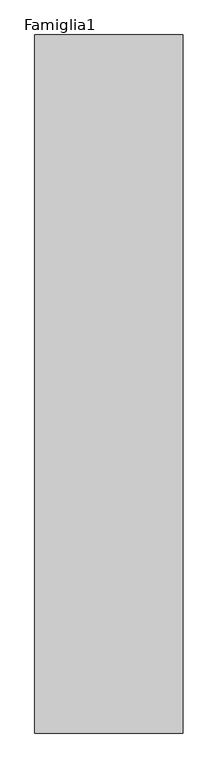
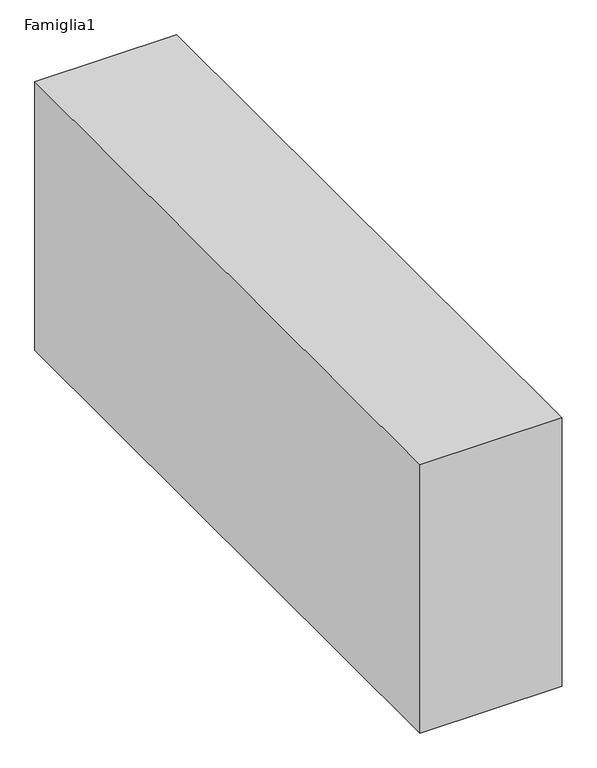
"""IFC4 building model written with IfcOpenShell, lengths in millimetres: proxy geometry, Famiglia1."""

from ifc_helpers import new_model, si_unit, origin, origin_with_axes, place, context, project, spatial, polyline, outline, extrude, source, transform, mapped, element, save


def famiglia1_5ea5ec3c(model_context):
    return source(origin(), model_context, "Body", "SweptSolid", [
        extrude(outline(polyline([(6000.0, 28266.6277386), (6000.0, 0.0), (0.0, 0.0), (0.0, 28266.6277386), (6000.0, 28266.6277386)])), origin_with_axes(), (0.0, 0.0, 1.0), 12000.0),
    ])


if __name__ == "__main__":
    model = new_model("IFC4")
    model_context = context("Model", 3, world=origin())
    ifc_project = project(units=[si_unit("LENGTHUNIT", "METRE", prefix="MILLI")], contexts=[model_context])
    site = spatial("IfcSite", under=ifc_project)
    building = spatial("IfcBuilding", under=site)
    placement = place(None, origin())
    famiglia1_shape = famiglia1_5ea5ec3c(model_context)
    element("IfcBuildingElementProxy", 1, Name="Famiglia1", ObjectType="Famiglia1", at=placement, inside=building, context=model_context, shape_type="MappedRepresentation", body=[
        mapped(famiglia1_shape, transform((0.0, 0.0, 0.0), x_axis=(1.0, 0.0, 0.0), y_axis=(0.0, 1.0, 0.0), z_axis=(0.0, 0.0, 1.0))),
    ])
    save(model, "model.ifc")
